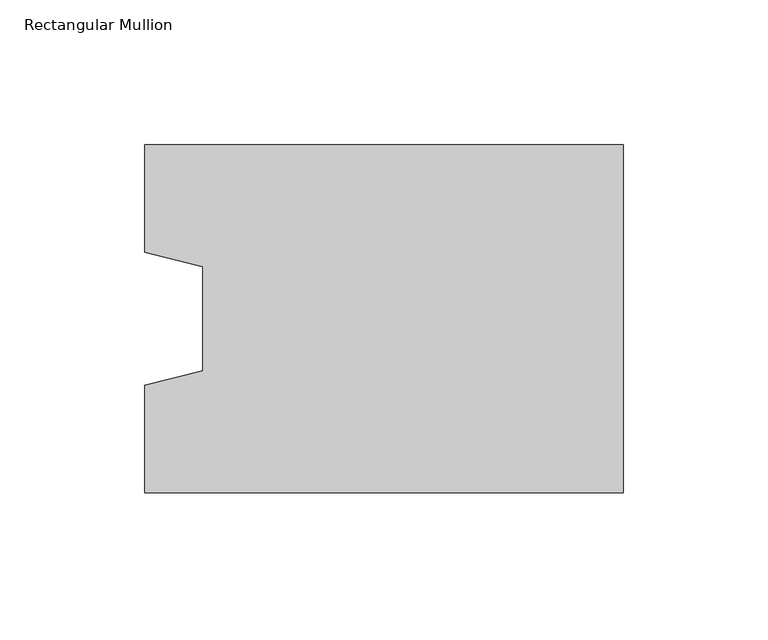
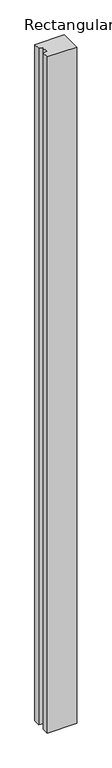
"""IFC4 building model written with IfcOpenShell, lengths in millimetres: column geometry, Rectangular Mullion."""

import ifcopenshell
import ifcopenshell.guid

model = None  # the IFC model being written
_history = None  # IfcOwnerHistory: only IFC2X3 demands one
_inside = {}  # id of a spatial element -> (the spatial element, [elements in it])
_under = {}  # id of a project, library or spatial element -> (it, [spatial elements below it])
_declared = {}  # id of a project -> (the project, [libraries it declares])
_typed = {}  # id of a type object -> (the type object, [elements of that type])
_made_of = {}  # id of a material, layer set ... -> (it, [elements and type objects made of it])


def new_model(schema):
    """Start an empty IFC model of exactly this schema.

    Asked for "IFC4X3", IfcOpenShell would pick the latest addendum, in which some entities
    have other attributes; the version numbers below select the first issue.
    IFC2X3 requires an IfcOwnerHistory on every rooted entity: one is made here for all.
    """
    global model, _history
    if schema == "IFC4X3":
        model = ifcopenshell.file(schema_version=(4, 3, 0, 0))
    else:
        model = ifcopenshell.file(schema=schema)
    _inside.clear()
    _under.clear()
    _declared.clear()
    _typed.clear()
    _made_of.clear()
    _history = None
    if model.schema == "IFC2X3":
        org = make("IfcOrganization", Name="unknown")
        user = make(
            "IfcPersonAndOrganization",
            ThePerson=make("IfcPerson", FamilyName="unknown"),
            TheOrganization=org,
        )
        app = make(
            "IfcApplication",
            ApplicationDeveloper=org,
            Version="unknown",
            ApplicationFullName="unknown",
            ApplicationIdentifier="unknown",
        )
        _history = make(
            "IfcOwnerHistory",
            OwningUser=user,
            OwningApplication=app,
            ChangeAction="ADDED",
            CreationDate=0,
        )
    return model


def make(cls, **values):
    """One entity of the class cls with the attributes given. An attribute that is None is left unset."""
    return model.create_entity(
        cls, **{name: value for name, value in values.items() if value is not None}
    )


def rooted(cls, **values):
    """An entity with a GlobalId (a new one), such as an element, a storey or a relation."""
    return make(cls, GlobalId=ifcopenshell.guid.new(), OwnerHistory=_history, **values)


def si_unit(unit_type, name, prefix=None):
    """IfcSIUnit, for example si_unit("LENGTHUNIT", "METRE", prefix="MILLI")."""
    return make("IfcSIUnit", UnitType=unit_type, Prefix=prefix, Name=name)


def assignment(units):
    """IfcUnitAssignment: the units of a project."""
    return None if units is None else make("IfcUnitAssignment", Units=units)


def point(xyz):
    """IfcCartesianPoint."""
    return None if xyz is None else make("IfcCartesianPoint", Coordinates=xyz)


def direction(xyz):
    """IfcDirection."""
    return None if xyz is None else make("IfcDirection", DirectionRatios=xyz)


def frame(location, z_axis=None, x_axis=None):
    """IfcAxis2Placement3D, a coordinate frame: its origin and axes. An axis left out is left unset."""
    return make(
        "IfcAxis2Placement3D",
        Location=point(location),
        Axis=direction(z_axis),
        RefDirection=direction(x_axis),
    )


def origin():
    """The frame at (0, 0, 0) with its axes left unset."""
    return frame((0.0, 0.0, 0.0))


def place(relative_to, where):
    """IfcLocalPlacement: puts the frame where relative to a parent placement (None: the world)."""
    return make(
        "IfcLocalPlacement", PlacementRelTo=relative_to, RelativePlacement=where
    )


def context(
    kind, dimensions, precision=None, world=None, true_north=None, identifier=None
):
    """IfcGeometricRepresentationContext, for example the 3D "Model" context."""
    return make(
        "IfcGeometricRepresentationContext",
        ContextIdentifier=identifier,
        ContextType=kind,
        CoordinateSpaceDimension=dimensions,
        Precision=precision,
        WorldCoordinateSystem=world,
        TrueNorth=true_north,
    )


def project(units=None, contexts=None):
    """IfcProject with its units and contexts."""
    return rooted(
        "IfcProject",
        Name="project",
        RepresentationContexts=contexts,
        UnitsInContext=assignment(units),
    )


def spatial(cls, under=None, at=None, **own):
    """A site, building, storey or space (cls), placed at a placement, below another one or the project."""
    s = rooted(cls, ObjectPlacement=at, **own)
    if under is not None:
        _under.setdefault(under.id(), (under, []))[1].append(s)
    return s


def polyline(points):
    """IfcPolyline through the points."""
    return make("IfcPolyline", Points=[point(p) for p in points])


def outline(outer, holes=None, kind="AREA"):
    """IfcArbitraryClosedProfileDef: a profile drawn as a closed curve; with holes, ...WithVoids."""
    if holes is None:
        return make("IfcArbitraryClosedProfileDef", ProfileType=kind, OuterCurve=outer)
    return make(
        "IfcArbitraryProfileDefWithVoids",
        ProfileType=kind,
        OuterCurve=outer,
        InnerCurves=holes,
    )


def extrude(swept, where, along, depth):
    """IfcExtrudedAreaSolid: the profile swept, set in the frame where, extruded along a direction by depth."""
    return make(
        "IfcExtrudedAreaSolid",
        SweptArea=swept,
        Position=where,
        ExtrudedDirection=direction(along),
        Depth=depth,
    )


def shape(context_of_items, identifier, shape_type, items):
    """IfcShapeRepresentation: the items that make up one representation, for example the "Body"."""
    return make(
        "IfcShapeRepresentation",
        ContextOfItems=context_of_items,
        RepresentationIdentifier=identifier,
        RepresentationType=shape_type,
        Items=items,
    )


def source(mapping_origin, context_of_items, identifier, shape_type, items):
    """IfcRepresentationMap: a shape defined once, which mapped items show again and again."""
    return make(
        "IfcRepresentationMap",
        MappingOrigin=mapping_origin,
        MappedRepresentation=shape(context_of_items, identifier, shape_type, items),
    )


def transform(
    local_origin,
    x_axis=None,
    y_axis=None,
    z_axis=None,
    scale=None,
    scale2=None,
    scale3=None,
    uniform=True,
):
    """IfcCartesianTransformationOperator3D, or its non-uniform kind. x_axis, y_axis, z_axis: its Axis1, 2, 3."""
    if uniform:
        return make(
            "IfcCartesianTransformationOperator3D",
            Axis1=direction(x_axis),
            Axis2=direction(y_axis),
            LocalOrigin=point(local_origin),
            Scale=scale,
            Axis3=direction(z_axis),
        )
    return make(
        "IfcCartesianTransformationOperator3DnonUniform",
        Axis1=direction(x_axis),
        Axis2=direction(y_axis),
        LocalOrigin=point(local_origin),
        Scale=scale,
        Axis3=direction(z_axis),
        Scale2=scale2,
        Scale3=scale3,
    )


def mapped(mapping_source, mapping_target):
    """IfcMappedItem: shows the shape of a source again, moved by a transform."""
    return make(
        "IfcMappedItem", MappingSource=mapping_source, MappingTarget=mapping_target
    )


def made_of(thing, what):
    """Note that an element or type object is made of a material, layer set ...; save() writes the relation."""
    if what is not None:
        _made_of.setdefault(what.id(), (what, []))[1].append(thing)
    return thing


def element(
    cls,
    number,
    at=None,
    inside=None,
    cuts=None,
    type_object=None,
    material=None,
    context=None,
    identifier="Body",
    shape_type=None,
    held_by="IfcProductDefinitionShape",
    body=None,
    shapes=None,
    **own,
):
    """One element of the class cls, such as IfcWall. Its Tag is "e" and its number.

    at: its placement. inside: the storey or other place that contains it. cuts: it is an
    opening in that element (IfcRelVoidsElement). A single representation is given by context,
    identifier, shape_type and body (its items); several are given by shapes. held_by: the class
    of the entity that holds the representations. save() writes the other relations.
    """
    e = rooted(cls, Tag="e%d" % number, ObjectPlacement=at, **own)
    if body is not None:
        shapes = [shape(context, identifier, shape_type, body)]
    if shapes is not None:
        e.Representation = make(held_by, Representations=shapes)
    if inside is not None:
        _inside.setdefault(inside.id(), (inside, []))[1].append(e)
    if cuts is not None:
        rooted(
            "IfcRelVoidsElement", RelatingBuildingElement=cuts, RelatedOpeningElement=e
        )
    if type_object is not None:
        _typed.setdefault(type_object.id(), (type_object, []))[1].append(e)
    return made_of(e, material)


def aggregate(whole, parts):
    """IfcRelAggregates: a whole, such as a stair, and the parts it consists of."""
    return rooted("IfcRelAggregates", RelatingObject=whole, RelatedObjects=parts)


def save(model, path):
    """Write the relations noted so far, then the file.

    IfcRelAggregates (storeys below a building ...), IfcRelContainedInSpatialStructure (elements
    in a storey), IfcRelDefinesByType, IfcRelAssociatesMaterial and IfcRelDeclares: one each for
    every whole, place, type object, material and project.
    """
    for whole, parts in _under.values():
        aggregate(whole, parts)
    for where, things in _inside.values():
        rooted(
            "IfcRelContainedInSpatialStructure",
            RelatedElements=things,
            RelatingStructure=where,
        )
    for kind, things in _typed.values():
        rooted("IfcRelDefinesByType", RelatedObjects=things, RelatingType=kind)
    for what, things in _made_of.values():
        rooted("IfcRelAssociatesMaterial", RelatedObjects=things, RelatingMaterial=what)
    for by, libraries in _declared.values():
        rooted("IfcRelDeclares", RelatingContext=by, RelatedDefinitions=libraries)
    model.write(path)


def rectangular_mullion_cbb25520(model_context):
    return source(origin(), model_context, "Body", "SweptSolid", [
        extrude(outline(polyline([(-165.0, -60.0), (-165.0, -23.0), (-145.0, -18.0), (-145.0, 18.0), (-165.0, 23.0), (-165.0, 60.0), (0.0, 60.0), (0.0, -60.0), (-165.0, -60.0)])), frame((0.0, 0.0, -4000.0), z_axis=(0.0, 0.0, 1.0), x_axis=(1.0, 0.0, 0.0)), (0.0, 0.0, 1.0), 4000.0),
    ])


if __name__ == "__main__":
    model = new_model("IFC4")
    model_context = context("Model", 3, world=origin())
    ifc_project = project(units=[si_unit("LENGTHUNIT", "METRE", prefix="MILLI")], contexts=[model_context])
    site = spatial("IfcSite", under=ifc_project)
    building = spatial("IfcBuilding", under=site)
    placement = place(None, origin())
    rectangular_mullion_shape = rectangular_mullion_cbb25520(model_context)
    element("IfcColumn", 1, ObjectType="Rectangular Mullion", at=placement, inside=building, context=model_context, shape_type="MappedRepresentation", body=[
        mapped(rectangular_mullion_shape, transform((0.0, 0.0, 0.0), x_axis=(1.0, 0.0, 0.0), y_axis=(0.0, 1.0, 0.0), z_axis=(0.0, 0.0, 1.0))),
    ])
    save(model, "model.ifc")
